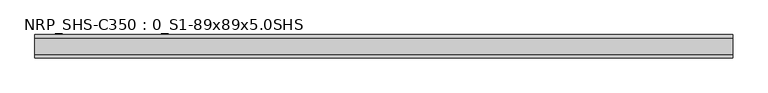
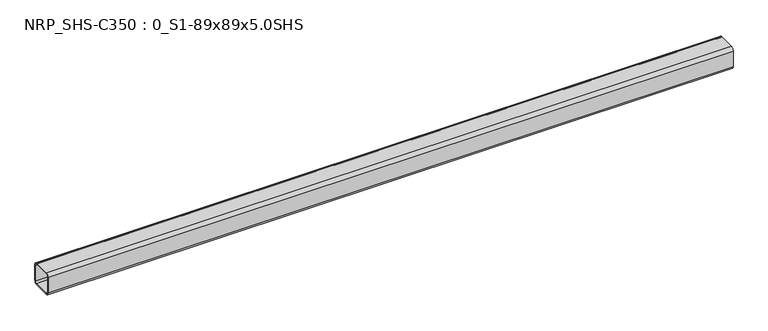
"""IFC4 building model written with IfcOpenShell, lengths in millimetres: beam geometry, NRP_SHS-C350 : 0_S1-89x89x5.0SHS."""

from ifc_helpers import new_model, si_unit, point, frame, frame_2d, origin, place, context, project, spatial, polyline, circle_curve, trimmed, segment, composite_curve, outline, extrude, source, transform, mapped, element, save


def nrp_shs_c350_0_s1_89x89x5_0shs_8c4df1ec(model_context):
    return source(origin(), model_context, "Body", "SweptSolid", [
        extrude(outline(composite_curve([segment(polyline([(44.5, 32.0), (44.5, -32.0)]), True, "CONTINUOUS"), segment(trimmed(circle_curve(frame_2d((32.0, -32.0)), 12.5), [point((44.5, -32.0))], [point((32.0, -44.5))], False, "CARTESIAN"), True, "CONTINUOUS"), segment(polyline([(32.0, -44.5), (-32.0, -44.5)]), True, "CONTINUOUS"), segment(trimmed(circle_curve(frame_2d((-32.0, -32.0)), 12.5), [point((-32.0, -44.5))], [point((-44.5, -32.0))], False, "CARTESIAN"), True, "CONTINUOUS"), segment(polyline([(-44.5, -32.0), (-44.5, 32.0)]), True, "CONTINUOUS"), segment(trimmed(circle_curve(frame_2d((-32.0, 32.0)), 12.5), [point((-44.5, 32.0))], [point((-32.0, 44.5))], False, "CARTESIAN"), True, "CONTINUOUS"), segment(polyline([(-32.0, 44.5), (32.0, 44.5)]), True, "CONTINUOUS"), segment(trimmed(circle_curve(frame_2d((32.0, 32.0)), 12.5), [point((32.0, 44.5))], [point((44.5, 32.0))], False, "CARTESIAN"), True, "CONTINUOUS")], self_intersect=False), holes=[composite_curve([segment(trimmed(circle_curve(frame_2d((-32.0, 32.0)), 7.5), [point((-32.0, 39.5))], [point((-39.5, 32.0))], True, "CARTESIAN"), True, "CONTINUOUS"), segment(polyline([(-39.5, 32.0), (-39.5, -32.0)]), True, "CONTINUOUS"), segment(trimmed(circle_curve(frame_2d((-32.0, -32.0)), 7.5), [point((-39.5, -32.0))], [point((-32.0, -39.5))], True, "CARTESIAN"), True, "CONTINUOUS"), segment(polyline([(-32.0, -39.5), (32.0, -39.5)]), True, "CONTINUOUS"), segment(trimmed(circle_curve(frame_2d((32.0, -32.0)), 7.5), [point((32.0, -39.5))], [point((39.5, -32.0))], True, "CARTESIAN"), True, "CONTINUOUS"), segment(polyline([(39.5, -32.0), (39.5, 32.0)]), True, "CONTINUOUS"), segment(trimmed(circle_curve(frame_2d((32.0, 32.0)), 7.5), [point((39.5, 32.0))], [point((32.0, 39.5))], True, "CARTESIAN"), True, "CONTINUOUS"), segment(polyline([(32.0, 39.5), (-32.0, 39.5)]), True, "CONTINUOUS")], self_intersect=False)]), frame((-1272.0, 0.0, 0.0), z_axis=(1.0, 0.0, 0.0), x_axis=(0.0, 1.0, 0.0)), (0.0, 0.0, 1.0), 2668.0),
    ])


if __name__ == "__main__":
    model = new_model("IFC4")
    model_context = context("Model", 3, world=origin())
    ifc_project = project(units=[si_unit("LENGTHUNIT", "METRE", prefix="MILLI")], contexts=[model_context])
    site = spatial("IfcSite", under=ifc_project)
    building = spatial("IfcBuilding", under=site)
    placement = place(None, origin())
    nrp_shs_c350_0_s1_89x89x5_0shs_shape = nrp_shs_c350_0_s1_89x89x5_0shs_8c4df1ec(model_context)
    element("IfcBeam", 1, ObjectType="NRP_SHS-C350 : 0_S1-89x89x5.0SHS", at=placement, inside=building, context=model_context, shape_type="MappedRepresentation", body=[
        mapped(nrp_shs_c350_0_s1_89x89x5_0shs_shape, transform((0.0, 0.0, 0.0), x_axis=(1.0, 0.0, 0.0), y_axis=(0.0, 1.0, 0.0), z_axis=(0.0, 0.0, 1.0))),
    ])
    save(model, "model.ifc")
